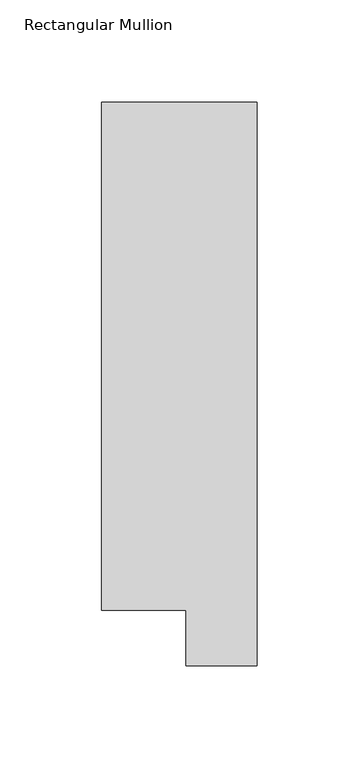
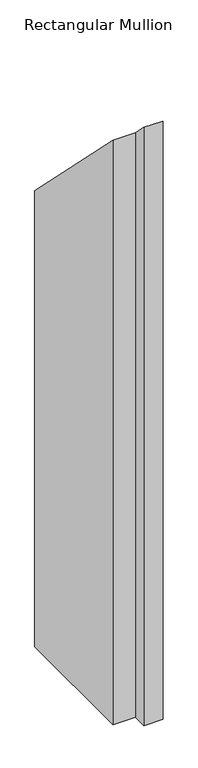
"""IFC4 building model written with IfcOpenShell, lengths in millimetres: member geometry, Rectangular Mullion."""

from ifc_helpers import new_model, si_unit, origin, place, context, project, spatial, faceted_brep, source, transform, mapped, element, save


def rectangular_mullion_f3507aa8(model_context):
    return source(origin(), model_context, "Body", "Brep", [
        faceted_brep([(-3.3e-06, 295.9695326, -1181.4194229), (0.0, 19.5667326, -1181.4194229), (-34.9123, 19.5667322, -1181.4194229), (-34.9123003, 46.7447311, -1181.4194229), (-76.2000003, 46.7447306, -1181.4194229), (-76.2000033, 295.9695317, -1181.4194229), (-76.2000033, 295.9695317, -295.9695317), (-3.3e-06, 295.9695326, -295.9695326), (-76.2000003, 46.7447306, -46.7447306), (-34.9123003, 46.7447311, -46.7447311), (-34.9123, 19.5667322, -19.5667322), (0.0, 19.5667326, -19.5667326)], [[[0, 1, 2, 3, 4, 5]], [[6, 7, 0, 5]], [[8, 6, 5, 4]], [[9, 8, 4, 3]], [[10, 9, 3, 2]], [[11, 10, 2, 1]], [[7, 11, 1, 0]], [[7, 6, 8, 9, 10, 11]]]),
    ])


if __name__ == "__main__":
    model = new_model("IFC4")
    model_context = context("Model", 3, world=origin())
    ifc_project = project(units=[si_unit("LENGTHUNIT", "METRE", prefix="MILLI")], contexts=[model_context])
    site = spatial("IfcSite", under=ifc_project)
    building = spatial("IfcBuilding", under=site)
    placement = place(None, origin())
    rectangular_mullion_shape = rectangular_mullion_f3507aa8(model_context)
    element("IfcMember", 1, ObjectType="Rectangular Mullion", at=placement, inside=building, context=model_context, shape_type="MappedRepresentation", body=[
        mapped(rectangular_mullion_shape, transform((0.0, 0.0, 0.0), x_axis=(1.0, 0.0, 0.0), y_axis=(0.0, 1.0, 0.0), z_axis=(0.0, 0.0, 1.0))),
    ])
    save(model, "model.ifc")
